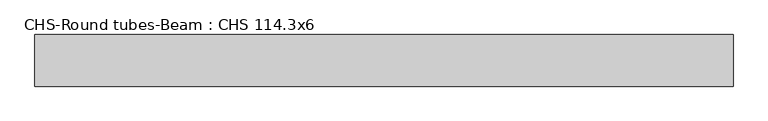
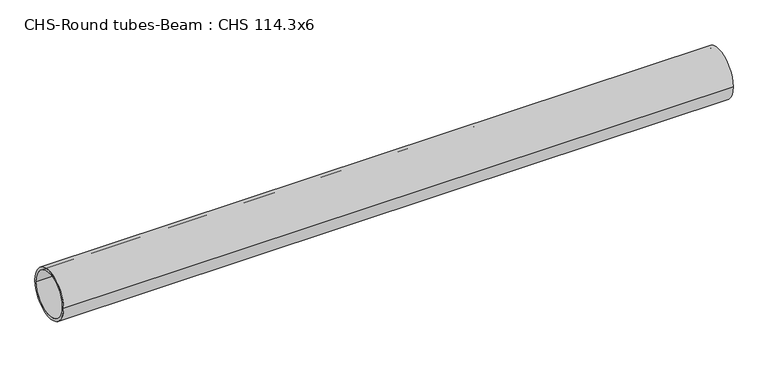
"""IFC4 building model written with IfcOpenShell, lengths in millimetres: beam geometry, CHS-Round tubes-Beam : CHS 114.3x6."""

from ifc_helpers import new_model, si_unit, point, frame, origin, origin_2d, place, context, project, spatial, circle_curve, trimmed, segment, composite_curve, outline, extrude, source, transform, mapped, element, save


def chs_round_tubes_beam_chs_114_3x6_55c66cac(model_context):
    return source(origin(), model_context, "Body", "SweptSolid", [
        extrude(outline(composite_curve([segment(trimmed(circle_curve(origin_2d(), 57.15), [point((57.15, 0.0))], [point((-57.15, 0.0))], False, "CARTESIAN"), True, "CONTINUOUS"), segment(trimmed(circle_curve(origin_2d(), 57.15), [point((-57.15, 0.0))], [point((57.15, 0.0))], False, "CARTESIAN"), True, "CONTINUOUS")], self_intersect=False), holes=[composite_curve([segment(trimmed(circle_curve(origin_2d(), 51.15), [point((51.15, 0.0))], [point((-51.15, 0.0))], True, "CARTESIAN"), True, "CONTINUOUS"), segment(trimmed(circle_curve(origin_2d(), 51.15), [point((-51.15, 0.0))], [point((51.15, 0.0))], True, "CARTESIAN"), True, "CONTINUOUS")], self_intersect=False)]), frame((-785.7030077, 0.0, 0.0), z_axis=(1.0, 0.0, 0.0), x_axis=(0.0, 1.0, 0.0)), (0.0, 0.0, 1.0), 1546.1699797),
    ])


if __name__ == "__main__":
    model = new_model("IFC4")
    model_context = context("Model", 3, world=origin())
    ifc_project = project(units=[si_unit("LENGTHUNIT", "METRE", prefix="MILLI")], contexts=[model_context])
    site = spatial("IfcSite", under=ifc_project)
    building = spatial("IfcBuilding", under=site)
    placement = place(None, origin())
    chs_round_tubes_beam_chs_114_3x6_shape = chs_round_tubes_beam_chs_114_3x6_55c66cac(model_context)
    element("IfcBeam", 1, ObjectType="CHS-Round tubes-Beam : CHS 114.3x6", at=placement, inside=building, context=model_context, shape_type="MappedRepresentation", body=[
        mapped(chs_round_tubes_beam_chs_114_3x6_shape, transform((0.0, 0.0, 0.0), x_axis=(1.0, 0.0, 0.0), y_axis=(0.0, 1.0, 0.0), z_axis=(0.0, 0.0, 1.0))),
    ])
    save(model, "model.ifc")
